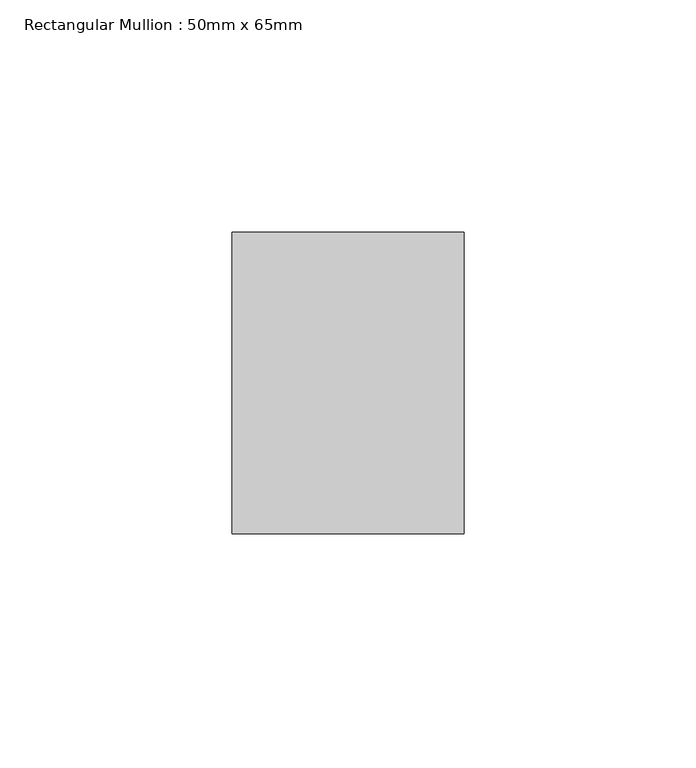
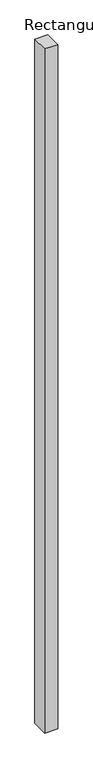
"""IFC4 building model written with IfcOpenShell, lengths in millimetres: member geometry, Rectangular Mullion : 50mm x 65mm."""

from ifc_helpers import new_model, si_unit, frame, origin, place, context, project, spatial, polyline, outline, extrude, source, transform, mapped, element, save


def rectangular_mullion_50mm_x_65mm_f508838b(model_context):
    return source(origin(), model_context, "Body", "SweptSolid", [
        extrude(outline(polyline([(25.0, 32.5), (25.0, -32.5), (-25.0, -32.5), (-25.0, 32.5), (25.0, 32.5)])), frame((0.0, 0.0, -2773.8911193), z_axis=(0.0, 0.0, 1.0), x_axis=(1.0, 0.0, 0.0)), (0.0, 0.0, 1.0), 2773.8911193),
    ])


if __name__ == "__main__":
    model = new_model("IFC4")
    model_context = context("Model", 3, world=origin())
    ifc_project = project(units=[si_unit("LENGTHUNIT", "METRE", prefix="MILLI")], contexts=[model_context])
    site = spatial("IfcSite", under=ifc_project)
    building = spatial("IfcBuilding", under=site)
    placement = place(None, origin())
    rectangular_mullion_50mm_x_65mm_shape = rectangular_mullion_50mm_x_65mm_f508838b(model_context)
    element("IfcMember", 1, ObjectType="Rectangular Mullion : 50mm x 65mm", at=placement, inside=building, context=model_context, shape_type="MappedRepresentation", body=[
        mapped(rectangular_mullion_50mm_x_65mm_shape, transform((0.0, 0.0, 0.0), x_axis=(1.0, 0.0, 0.0), y_axis=(0.0, 1.0, 0.0), z_axis=(0.0, 0.0, 1.0))),
    ])
    save(model, "model.ifc")
